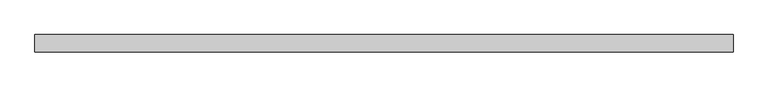
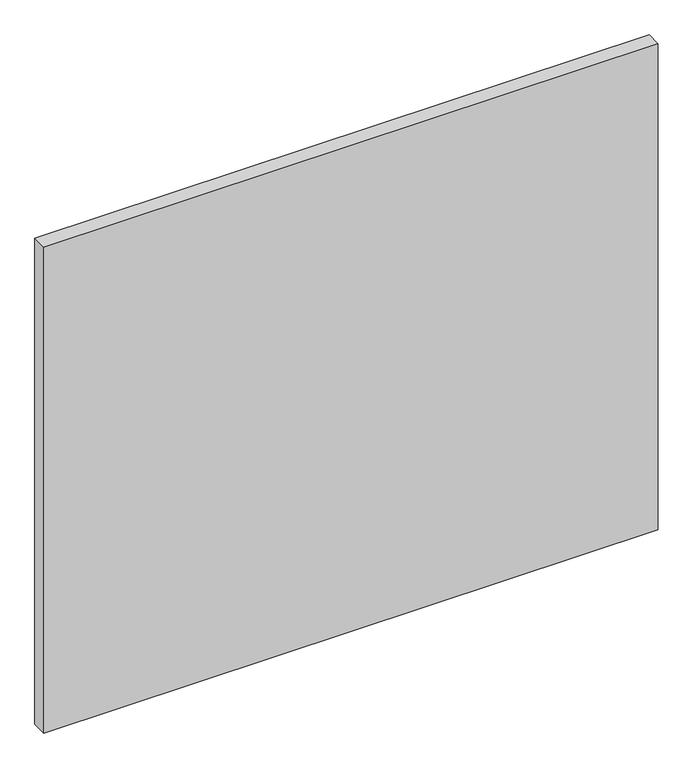
"""IFC4 building model written with IfcOpenShell, lengths in millimetres: plate geometry."""

from ifc_helpers import new_model, si_unit, origin, origin_with_axes, place, context, project, spatial, polyline, outline, extrude, source, transform, mapped, element, save


def plate_b4df0b7b(model_context):
    return source(origin(), model_context, "Body", "SweptSolid", [
        extrude(outline(polyline([(700.0625, -17.5), (-700.0625, -17.5), (-700.0625, 17.5), (700.0625, 17.5), (700.0625, -17.5)])), origin_with_axes(), (0.0, 0.0, 1.0), 1170.0),
    ])


if __name__ == "__main__":
    model = new_model("IFC4")
    model_context = context("Model", 3, world=origin())
    ifc_project = project(units=[si_unit("LENGTHUNIT", "METRE", prefix="MILLI")], contexts=[model_context])
    site = spatial("IfcSite", under=ifc_project)
    building = spatial("IfcBuilding", under=site)
    placement = place(None, origin())
    plate_shape = plate_b4df0b7b(model_context)
    element("IfcPlate", 1, at=placement, inside=building, context=model_context, shape_type="MappedRepresentation", body=[
        mapped(plate_shape, transform((0.0, 0.0, 0.0), x_axis=(1.0, 0.0, 0.0), y_axis=(0.0, 1.0, 0.0), z_axis=(0.0, 0.0, 1.0))),
    ])
    save(model, "model.ifc")
